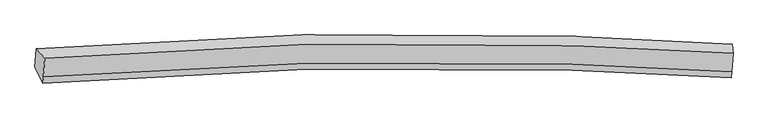
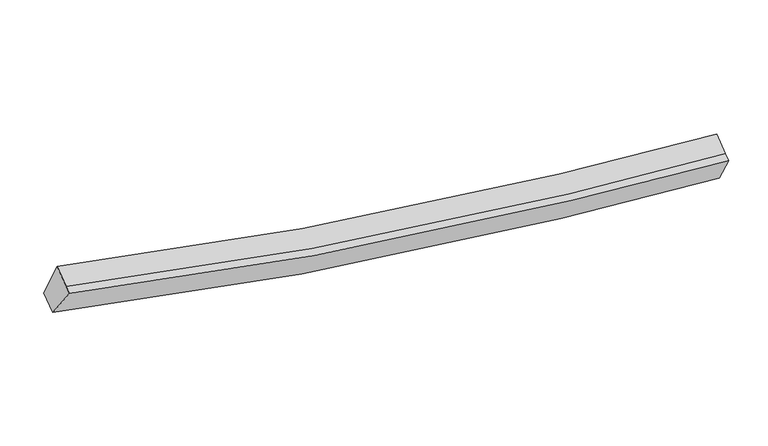
"""IFC4 building model written with IfcOpenShell, lengths in millimetres: proxy geometry."""

from ifc_helpers import new_model, si_unit, frame, origin, place, context, project, spatial, source, transform, mapped, element, save
from ifc_brep_helpers import plane_surface, spline_curve, spline_surface, advanced_brep


def generic_models_1f7382af(model_context):
    return source(origin(), model_context, "Body", "AdvancedBrep", [
        advanced_brep(
        [(-8052.855333, -1850.9647438, 4213.6429539), (-7877.8276412, -2043.0151212, 4860.406527), (6310.553423, -1948.2242952, 2840.1078488), (6288.6632262, -1754.6575259, 2170.8740444), (-7904.9097588, -2426.9469198, 4649.9289997), (6284.1968098, -2321.8709237, 2635.2688156), (-7914.1701349, -2558.227379, 4577.9589609), (6274.9364337, -2453.1513828, 2563.2987768), (-8079.7497901, -2232.2361588, 4004.6238912), (6262.4942735, -2125.6437708, 1967.4934758)],
        [
            (0, 1),
            (1, 2, spline_curve(3, [(-7877.8276412, -2043.0151212, 4860.406527), (-4283.151713025, -1751.752987694, 3874.844650253), (-647.118987165, -1666.367586068, 3248.813792703), (4120.066067013, -1822.566558984, 2903.336644015), (5213.493695267, -1876.35501905, 2855.93460901), (6310.553423, -1948.2242952, 2840.1078488)], [4, 2, 4], [0.0, 36.564154624578826, 47.39995322369397])),
            (2, 3),
            (3, 0, spline_curve(3, [(6288.6632262, -1754.6575259, 2170.8740444), (5185.001753496, -1682.380431467, 2186.806349623), (4083.813927978, -1628.303797443, 2234.681230016), (-722.384727359, -1471.367608315, 2583.833499318), (-4401.703088029, -1557.546648794, 3216.881588722), (-8052.855333, -1850.9647438, 4213.6429539)], [4, 2, 4], [0.0, 10.835798599115144, 47.39995322369397])),
            (1, 4),
            (4, 5, spline_curve(3, [(-7904.9097588, -2426.9469198, 4649.9289997), (-4310.413229915, -2138.228053598, 3662.972862926), (-674.277610161, -2051.3839805, 3037.741672496), (4093.406778188, -2200.504088606, 2696.145270589), (5186.973348483, -2252.322830007, 2649.823066373), (6284.1968098, -2321.8709237, 2635.2688156)], [4, 2, 4], [0.0, 36.36817528320783, 47.145895343533084])),
            (5, 2),
            (4, 6),
            (6, 7, spline_curve(3, [(-7914.1701349, -2558.227379, 4577.9589609), (-4319.67360612, -2269.508513436, 3591.002824264), (-683.537986882, -2182.664439294, 2965.771633606), (4084.146402272, -2331.784547796, 2624.175231816), (5177.712972335, -2383.603289153, 2577.853027672), (6274.9364337, -2453.1513828, 2563.2987768)], [4, 2, 4], [0.0, 36.36816924754313, 47.14588751919727])),
            (7, 5),
            (6, 8),
            (8, 9, spline_curve(3, [(-8079.7497901, -2232.2361588, 4004.6238912), (-4428.776944517, -1941.361331177, 3006.468265986), (-749.355691123, -1853.723619555, 2374.219844267), (4057.342300028, -2003.580943214, 2028.948321156), (5158.669067332, -2055.687858891, 1982.153271595), (6262.4942735, -2125.6437708, 1967.4934758)], [4, 2, 4], [0.0, 36.56413071460414, 47.39992222799085])),
            (9, 7),
            (8, 0),
            (3, 9),
        ],
        [
            spline_surface(3, 3, [[(-8052.855333, -1850.9647438, 4213.6429539), (-4401.703088623, -1557.54664826, 3216.881588939), (-722.384727732, -1471.367608408, 2583.833499542), (4083.813928088, -1628.303797415, 2234.68122995), (5185.001753553, -1682.38043132, 2186.806349506), (6288.6632262, -1754.6575259, 2170.8740444)], [(-7994.512769065, -1914.981536247, 4429.230811617), (-4362.185963355, -1622.282094685, 3436.202609374), (-697.296147376, -1536.367600892, 2805.493597217), (4095.897974346, -1693.05805132, 2457.566367988), (5194.499067498, -1747.038627158, 2409.84910267), (6295.959958462, -1819.17978232, 2393.951979215)], [(-7936.170205135, -1978.998328753, 4644.818669283), (-4322.668838091, -1687.01754117, 3655.523629758), (-672.207567018, -1601.367593312, 3027.153694885), (4107.982020606, -1757.81230516, 2680.451506019), (5203.996381458, -1811.696823035, 2632.891855788), (6303.256690738, -1883.70203878, 2617.029913985)], [(-7877.8276412, -2043.0151212, 4860.406527), (-4283.151712823, -1751.752987596, 3874.844650193), (-647.118986661, -1666.367585796, 3248.81379256), (4120.066066864, -1822.566559065, 2903.336644057), (5213.493695403, -1876.355018872, 2855.934608953), (6310.553423, -1948.2242952, 2840.1078488)]], [4, 4], [4, 2, 4], [0.0, 2.2835777110932676], [0.0, 36.564154624578826, 47.39995322369397]),
            spline_surface(3, 3, [[(-7877.8276412, -2043.0151212, 4860.406527), (-4283.151712823, -1751.752987596, 3874.844650193), (-647.118986661, -1666.367585796, 3248.81379256), (4120.066066864, -1822.566559065, 2903.336644057), (5213.493695403, -1876.355018872, 2855.934608953), (6310.553423, -1948.2242952, 2840.1078488)], [(-7886.855013725, -2170.992387421, 4790.247351216), (-4292.238885101, -1880.578009786, 3804.220721083), (-656.17186125, -1794.706384063, 3178.456419149), (4111.179637343, -1948.545735551, 2834.272852891), (5204.653579787, -2001.677622599, 2787.230761432), (6301.767885256, -2072.773171376, 2771.828171047)], [(-7895.882386275, -2298.969653579, 4720.088175484), (-4301.326057405, -2009.403031912, 3733.596792026), (-665.224735867, -1923.045182372, 3108.099045799), (4102.293207796, -2074.524912078, 2765.209061786), (5195.813464204, -2127.000226298, 2718.526913971), (6292.982347544, -2197.322047524, 2703.548493353)], [(-7904.9097588, -2426.9469198, 4649.9289997), (-4310.413229683, -2138.228054102, 3662.972862917), (-674.277610455, -2051.383980639, 3037.741672389), (4093.406778275, -2200.504088564, 2696.145270621), (5186.973348588, -2252.322830026, 2649.82306645), (6284.1968098, -2321.8709237, 2635.2688156)]], [4, 4], [4, 2, 4], [0.0, 1.4388607998543923], [0.0, 36.36817528320783, 47.145895343533084]),
            spline_surface(3, 3, [[(-7904.9097588, -2426.9469198, 4649.9289997), (-4310.413229683, -2138.228054102, 3662.972862917), (-674.277610455, -2051.383980639, 3037.741672389), (4093.406778275, -2200.504088564, 2696.145270621), (5186.973348588, -2252.322830026, 2649.82306645), (6284.1968098, -2321.8709237, 2635.2688156)], [(-7907.996550814, -2470.707072852, 4625.938986779), (-4313.500021697, -2181.988207154, 3638.982849996), (-677.364402469, -2095.144133691, 3013.751659468), (4090.319986261, -2244.264241616, 2672.155257699), (5183.886556574, -2296.082983077, 2625.833053529), (6281.110017786, -2365.631076752, 2611.278802679)], [(-7911.083342886, -2514.467225948, 4601.948973821), (-4316.586813769, -2225.748360251, 3614.992837038), (-680.451194542, -2138.904286687, 2989.761646511), (4087.233194189, -2288.024394613, 2648.165244742), (5180.799764502, -2339.843136074, 2601.843040571), (6278.023225714, -2409.391229748, 2587.288789721)], [(-7914.1701349, -2558.227379, 4577.9589609), (-4319.673605783, -2269.508513302, 3591.002824117), (-683.537986555, -2182.664439739, 2965.771633589), (4084.146402175, -2331.784547664, 2624.175231821), (5177.712972488, -2383.603289126, 2577.85302765), (6274.9364337, -2453.1513828, 2563.2987768)]], [4, 4], [4, 2, 4], [0.0, 0.49212598425195875], [0.0, 36.36816924754313, 47.14588751919727]),
            spline_surface(3, 3, [[(-7914.1701349, -2558.227379, 4577.9589609), (-4319.673605783, -2269.508513302, 3591.002824117), (-683.537986555, -2182.664439739, 2965.771633589), (4084.146402175, -2331.784547664, 2624.175231821), (5177.712972488, -2383.603289126, 2577.85302765), (6274.9364337, -2453.1513828, 2563.2987768)], [(-7969.363353329, -2449.563638947, 4386.847271004), (-4356.041385546, -2160.12611927, 3396.157971503), (-705.477221406, -2073.017499649, 2768.587703736), (4075.211701422, -2222.383346154, 2425.766261605), (5171.365004048, -2274.298145682, 2379.286442307), (6270.789046943, -2343.982178774, 2364.697009806)], [(-8024.556571671, -2340.899898853, 4195.735581096), (-4392.40916522, -2050.743725198, 3201.313118877), (-727.416456175, -1963.370559641, 2571.403773925), (4066.277000752, -2112.982144726, 2227.35729143), (5165.017035678, -2164.993002317, 2180.719856946), (6266.641660257, -2234.812974826, 2166.095242794)], [(-8079.7497901, -2232.2361588, 4004.6238912), (-4428.776944983, -1941.361331166, 3006.468266263), (-749.355691026, -1853.723619551, 2374.219844072), (4057.3423, -2003.580943215, 2028.948321214), (5158.669067238, -2055.687858874, 1982.153271603), (6262.4942735, -2125.6437708, 1967.4934758)]], [4, 4], [4, 2, 4], [0.0, 2.227694749216962], [0.0, 36.56413071460414, 47.39992222799085]),
            spline_surface(3, 3, [[(-8079.7497901, -2232.2361588, 4004.6238912), (-4428.776944983, -1941.361331166, 3006.468266263), (-749.355691026, -1853.723619551, 2374.219844072), (4057.3423, -2003.580943215, 2028.948321214), (5158.669067238, -2055.687858874, 1982.153271603), (6262.4942735, -2125.6437708, 1967.4934758)], [(-8070.784971067, -2105.145687134, 4074.296912084), (-4419.752326196, -1813.423103531, 3076.606040473), (-740.365369929, -1726.271615839, 2444.091062582), (4066.166176029, -1878.488561284, 2097.525957479), (5167.446629362, -1931.252049702, 2050.370964224), (6271.217257753, -2001.981689179, 2035.286998653)], [(-8061.820152033, -1978.055215466, 4143.969933016), (-4410.72770741, -1685.484875895, 3146.74381473), (-731.37504883, -1598.81961212, 2513.962281032), (4074.990052059, -1753.396179347, 2166.103593684), (5176.224191428, -1806.816240493, 2118.588656885), (6279.940241947, -1878.319607521, 2103.080521547)], [(-8052.855333, -1850.9647438, 4213.6429539), (-4401.703088623, -1557.54664826, 3216.881588939), (-722.384727732, -1471.367608408, 2583.833499542), (4083.813928088, -1628.303797415, 2234.68122995), (5185.001753553, -1682.38043132, 2186.806349506), (6288.6632262, -1754.6575259, 2170.8740444)]], [4, 4], [4, 2, 4], [0.0, 1.4288879224135564], [0.0, 36.76009915605068, 47.65396597803128]),
            plane_surface(frame((6284.1618391, -2070.4192437, 2385.4435365), z_axis=(0.9979247942798775, -0.04531292527269391, -0.04574760938776297), x_axis=(-0.01829729451510369, 0.4816288412925828, -0.8761842661498731))),
            plane_surface(frame((-7981.1507248, -2171.1108507, 4414.1580833), z_axis=(-0.9679342348007164, -0.06477917516081938, 0.24270759272473483), x_axis=(-0.061735840278480295, -0.8752030610311914, -0.4798002584271322))),
        ],
        [
            (0, [[1, 2, 3, 4]]),
            (1, [[5, 6, 7, -2]]),
            (2, [[8, 9, 10, -6]]),
            (3, [[11, 12, 13, -9]]),
            (4, [[14, -4, 15, -12]]),
            (5, [[-13, -15, -3, -7, -10]]),
            (6, [[-14, -11, -8, -5, -1]]),
        ],
    ),
    ])


if __name__ == "__main__":
    model = new_model("IFC4")
    model_context = context("Model", 3, world=origin())
    ifc_project = project(units=[si_unit("LENGTHUNIT", "METRE", prefix="MILLI")], contexts=[model_context])
    site = spatial("IfcSite", under=ifc_project)
    building = spatial("IfcBuilding", under=site)
    placement = place(None, origin())
    generic_models_shape = generic_models_1f7382af(model_context)
    element("IfcBuildingElementProxy", 1, Name="Generic Models", at=placement, inside=building, context=model_context, shape_type="MappedRepresentation", body=[
        mapped(generic_models_shape, transform((0.0, 0.0, 0.0), x_axis=(1.0, 0.0, 0.0), y_axis=(0.0, 1.0, 0.0), z_axis=(0.0, 0.0, 1.0))),
    ])
    save(model, "model.ifc")
